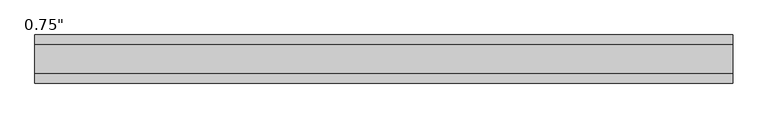
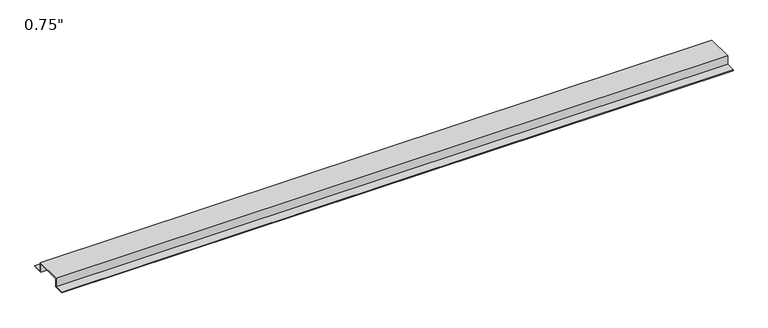
"""IFC4 building model written with IfcOpenShell, lengths in millimetres: proxy geometry."""

from ifc_helpers import new_model, si_unit, frame, origin, place, context, project, spatial, polyline, outline, extrude, source, transform, mapped, element, save


def proxy_397b1db7(model_context):
    return source(origin(), model_context, "Body", "SweptSolid", [
        extrude(outline(polyline([(-46.0559645, -17.4625), (-46.0559645, -15.8492), (-27.0129, -15.8492), (-27.0129, 1.6129), (27.0129, 1.6129), (27.0129, -15.8492), (46.0559645, -15.8492), (46.0559645, -17.4625), (25.4, -17.4625), (25.4, 0.0), (-25.4, 0.0), (-25.4, -17.4625), (-46.0559645, -17.4625)])), frame((0.0, 0.0, 0.0), z_axis=(1.0, 0.0, 0.0), x_axis=(0.0, 1.0, 0.0)), (0.0, 0.0, 1.0), 1335.087),
    ])


if __name__ == "__main__":
    model = new_model("IFC4")
    model_context = context("Model", 3, world=origin())
    ifc_project = project(units=[si_unit("LENGTHUNIT", "METRE", prefix="MILLI")], contexts=[model_context])
    site = spatial("IfcSite", under=ifc_project)
    building = spatial("IfcBuilding", under=site)
    placement = place(None, origin())
    proxy_shape = proxy_397b1db7(model_context)
    element("IfcBuildingElementProxy", 1, Name="0.75\"", ObjectType="0.75\"", at=placement, inside=building, context=model_context, shape_type="MappedRepresentation", body=[
        mapped(proxy_shape, transform((0.0, 0.0, 0.0), x_axis=(1.0, 0.0, 0.0), y_axis=(0.0, 1.0, 0.0), z_axis=(0.0, 0.0, 1.0))),
    ])
    save(model, "model.ifc")
